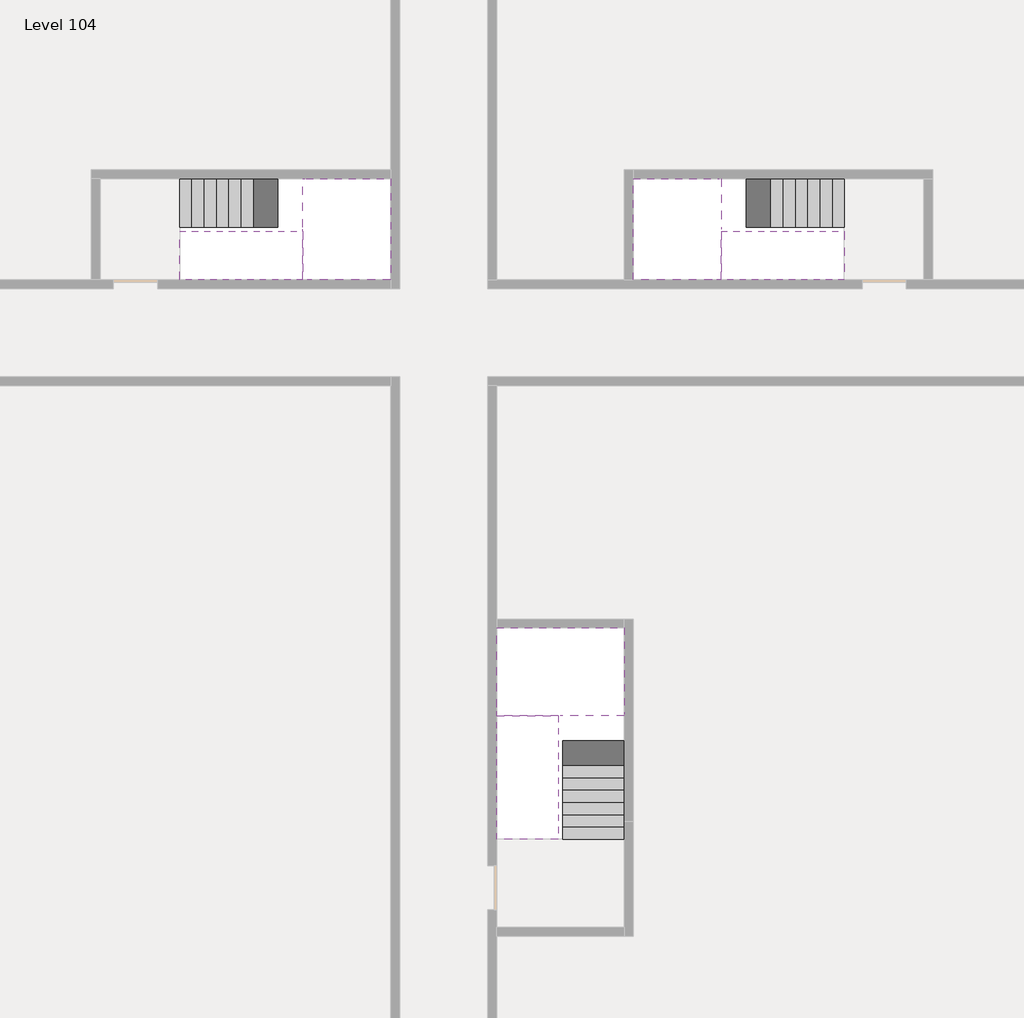
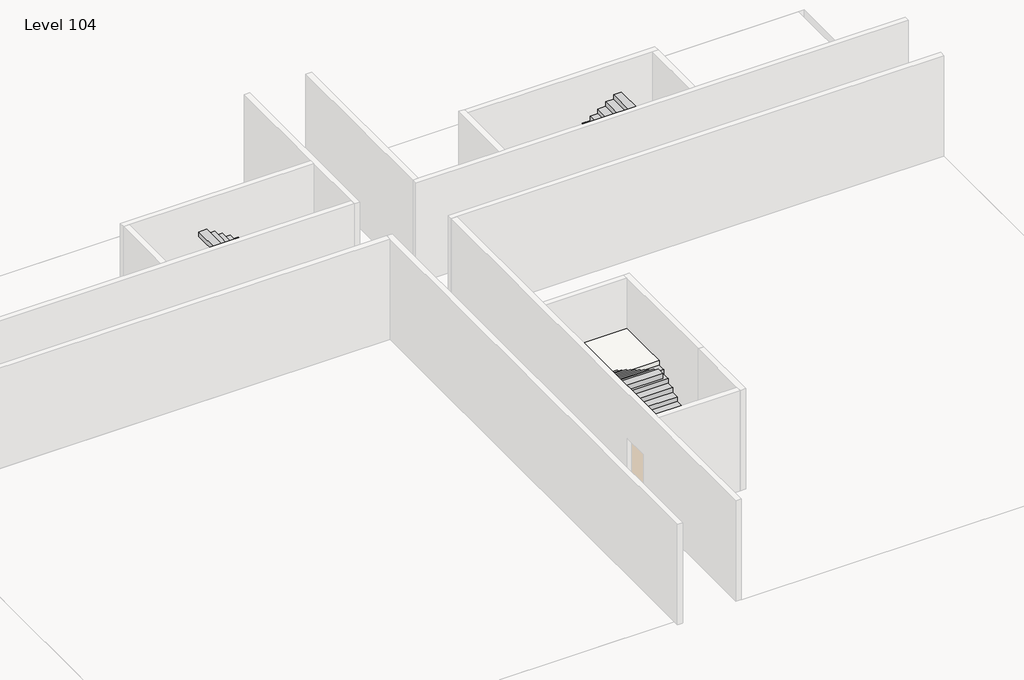
# One storey, part 2 of 2: 6 stair flights, 3 slabs.
"""IFC4 building model written with IfcOpenShell, lengths in millimetres."""

from ifc_helpers import new_model, si_unit, origin, place, context, project, spatial, faceted_brep, element, save

model = new_model("IFC4")

# Units and contexts
model_context = context("Model", 3, world=origin())
ifc_project = project(units=[si_unit("LENGTHUNIT", "METRE", prefix="MILLI")], contexts=[model_context])

# Site, building, storey
site = spatial("IfcSite", under=ifc_project)
building = spatial("IfcBuilding", under=site)
storey = spatial("IfcBuildingStorey", under=building, Name="Level 104", Elevation=391400.0)

# Slabs
placement = place(None, origin())
element("IfcSlab", 1, at=placement, inside=storey, context=model_context, shape_type="Brep", body=[
    faceted_brep([(26890.1058784, -40418.09644, 393300.0), (28290.1058784, -40418.09644, 393300.0), (28290.1058784, -40338.7100038, 393300.0), (28290.1058784, -38418.09644, 393300.0), (25390.1058784, -38418.09644, 393300.0), (25390.1058784, -40217.4828763, 393300.0), (25390.1058784, -40418.09644, 393300.0), (26790.1058784, -40418.09644, 393300.0), (26890.1058784, -40418.09644, 393000.0), (26890.1058784, -40418.09644, 392951.0278478), (28290.1058784, -40418.09644, 392951.0278478), (28290.1058784, -40418.09644, 393127.2727273), (28290.1058784, -40338.7100038, 393000.0), (28290.1058784, -38418.09644, 393000.0), (25390.1058784, -38418.09644, 393000.0), (25390.1058784, -40217.4828763, 393000.0), (25390.1058784, -40418.09644, 393123.7551205), (26790.1058784, -40418.09644, 393123.7551205), (26790.1058784, -40418.09644, 393000.0), (26790.1058784, -40217.4828763, 393000.0), (26890.1058784, -40338.7100038, 393000.0)], [[[0, 1, 2, 3, 4, 5, 6, 7]], [[1, 0, 8, 9, 10, 11]], [[1, 11, 10, 12, 13, 3, 2]], [[4, 3, 13, 14]], [[4, 14, 15, 16, 6, 5]], [[7, 6, 16, 17]], [[0, 7, 17, 18, 8]], [[18, 19, 15, 14, 13, 12, 20, 8]], [[19, 18, 17]], [[20, 12, 10, 9]], [[8, 20, 9]], [[15, 19, 17, 16]]]),
])
element("IfcSlab", 2, at=placement, inside=storey, context=model_context, shape_type="Brep", body=[
    faceted_brep([(20990.1058784, -28218.09644, 393300.0), (20990.1058784, -29318.09644, 393300.0), (20990.1058784, -29418.09644, 393300.0), (20990.1058784, -30518.09644, 393300.0), (21190.7194421, -30518.09644, 393300.0), (22990.1058784, -30518.09644, 393300.0), (22990.1058784, -28218.09644, 393300.0), (21069.4923146, -28218.09644, 393300.0), (20990.1058784, -28218.09644, 393127.2727273), (20990.1058784, -28218.09644, 392951.0278478), (20990.1058784, -29318.09644, 392951.0278478), (20990.1058784, -29318.09644, 393000.0), (20990.1058784, -29418.09644, 393000.0), (20990.1058784, -29418.09644, 393123.7551205), (20990.1058784, -30518.09644, 393123.7551205), (21190.7194421, -30518.09644, 393000.0), (22990.1058784, -30518.09644, 393000.0), (22990.1058784, -28218.09644, 393000.0), (21069.4923146, -28218.09644, 393000.0), (21190.7194421, -29418.09644, 393000.0), (21069.4923146, -29318.09644, 393000.0)], [[[0, 1, 2, 3, 4, 5, 6, 7]], [[1, 0, 8, 9, 10, 11]], [[2, 1, 11, 12, 13]], [[3, 2, 13, 14]], [[3, 14, 15, 16, 5, 4]], [[6, 5, 16, 17]], [[9, 8, 0, 7, 6, 17, 18]], [[19, 12, 11, 20, 18, 17, 16, 15]], [[12, 19, 13]], [[18, 20, 10, 9]], [[20, 11, 10]], [[19, 15, 14, 13]]]),
])
element("IfcSlab", 3, at=placement, inside=storey, context=model_context, shape_type="Brep", body=[
    faceted_brep([(30490.1058784, -29318.09644, 393300.0), (30490.1058784, -28218.09644, 393300.0), (30410.7194421, -28218.09644, 393300.0), (28490.1058784, -28218.09644, 393300.0), (28490.1058784, -30518.09644, 393300.0), (30289.4923146, -30518.09644, 393300.0), (30490.1058784, -30518.09644, 393300.0), (30490.1058784, -29418.09644, 393300.0), (30490.1058784, -29318.09644, 393000.0), (30490.1058784, -29318.09644, 392951.0278478), (30490.1058784, -28218.09644, 392951.0278478), (30490.1058784, -28218.09644, 393127.2727273), (30490.1058784, -29418.09644, 393123.7551205), (30490.1058784, -29418.09644, 393000.0), (30490.1058784, -30518.09644, 393123.7551205), (28490.1058784, -30518.09644, 393000.0), (30289.4923146, -30518.09644, 393000.0), (28490.1058784, -28218.09644, 393000.0), (30410.7194421, -28218.09644, 393000.0), (30289.4923146, -29418.09644, 393000.0), (30410.7194421, -29318.09644, 393000.0)], [[[0, 1, 2, 3, 4, 5, 6, 7]], [[1, 0, 8, 9, 10, 11]], [[0, 7, 12, 13, 8]], [[7, 6, 14, 12]], [[4, 15, 16, 14, 6, 5]], [[4, 3, 17, 15]], [[1, 11, 10, 18, 17, 3, 2]], [[13, 19, 16, 15, 17, 18, 20, 8]], [[20, 18, 10, 9]], [[8, 20, 9]], [[16, 19, 12, 14]], [[19, 13, 12]]]),
])

# Stair flights
element("IfcStairFlight", 4, at=placement, inside=storey, context=model_context, shape_type="Brep", body=[
    faceted_brep([(26890.1058784, -42938.09644, 391572.7272727), (26890.1058784, -43218.09644, 391572.7272727), (28290.1058784, -43218.09644, 391572.7272727), (28290.1058784, -42938.09644, 391572.7272727), (26890.1058784, -42938.09644, 391400.0), (26890.1058784, -43218.09644, 391400.0), (28290.1058784, -43218.09644, 391400.0), (28290.1058784, -42938.09644, 391400.0), (26890.1058784, -42658.09644, 391745.4545455), (26890.1058784, -42938.09644, 391745.4545455), (28290.1058784, -42938.09644, 391745.4545455), (28290.1058784, -42658.09644, 391745.4545455), (26890.1058784, -42658.09644, 391569.209666), (26890.1058784, -42932.3942143, 391400.0), (28290.1058784, -42932.3942143, 391400.0), (28290.1058784, -42658.09644, 391569.209666), (26890.1058784, -42378.09644, 391918.1818182), (26890.1058784, -42658.09644, 391918.1818182), (28290.1058784, -42658.09644, 391918.1818182), (28290.1058784, -42378.09644, 391918.1818182), (26890.1058784, -42378.09644, 391741.9369387), (28290.1058784, -42378.09644, 391741.9369387), (26890.1058784, -42098.09644, 392090.9090909), (26890.1058784, -42378.09644, 392090.9090909), (28290.1058784, -42378.09644, 392090.9090909), (28290.1058784, -42098.09644, 392090.9090909), (26890.1058784, -42098.09644, 391914.6642114), (28290.1058784, -42098.09644, 391914.6642114), (26890.1058784, -41818.09644, 392263.6363636), (26890.1058784, -42098.09644, 392263.6363636), (28290.1058784, -42098.09644, 392263.6363636), (28290.1058784, -41818.09644, 392263.6363636), (26890.1058784, -41818.09644, 392087.3914841), (28290.1058784, -41818.09644, 392087.3914841), (26890.1058784, -41538.09644, 392436.3636364), (26890.1058784, -41818.09644, 392436.3636364), (28290.1058784, -41818.09644, 392436.3636364), (28290.1058784, -41538.09644, 392436.3636364), (26890.1058784, -41538.09644, 392260.1187569), (28290.1058784, -41538.09644, 392260.1187569), (26890.1058784, -41258.09644, 392609.0909091), (26890.1058784, -41538.09644, 392609.0909091), (28290.1058784, -41538.09644, 392609.0909091), (28290.1058784, -41258.09644, 392609.0909091), (26890.1058784, -41258.09644, 392432.8460296), (28290.1058784, -41258.09644, 392432.8460296), (26890.1058784, -40978.09644, 392781.8181818), (26890.1058784, -41258.09644, 392781.8181818), (28290.1058784, -41258.09644, 392781.8181818), (28290.1058784, -40978.09644, 392781.8181818), (26890.1058784, -40978.09644, 392605.5733023), (28290.1058784, -40978.09644, 392605.5733023), (26890.1058784, -40698.09644, 392954.5454545), (26890.1058784, -40978.09644, 392954.5454545), (28290.1058784, -40978.09644, 392954.5454545), (28290.1058784, -40698.09644, 392954.5454545), (26890.1058784, -40698.09644, 392778.3005751), (28290.1058784, -40698.09644, 392778.3005751), (26890.1058784, -40418.09644, 393127.2727273), (26890.1058784, -40698.09644, 393127.2727273), (28290.1058784, -40698.09644, 393127.2727273), (28290.1058784, -40418.09644, 393127.2727273), (26890.1058784, -40418.09644, 393000.0), (26890.1058784, -40418.09644, 392951.0278478), (28290.1058784, -40418.09644, 392951.0278478)], [[[0, 1, 2, 3]], [[1, 0, 4, 5]], [[2, 1, 5, 6]], [[3, 2, 6, 7]], [[8, 9, 10, 11]], [[4, 0, 9, 8, 12, 13]], [[0, 3, 10, 9]], [[3, 7, 14, 15, 11, 10]], [[16, 17, 18, 19]], [[17, 16, 20, 12, 8]], [[8, 11, 18, 17]], [[19, 18, 11, 15, 21]], [[22, 23, 24, 25]], [[23, 22, 26, 20, 16]], [[16, 19, 24, 23]], [[25, 24, 19, 21, 27]], [[28, 29, 30, 31]], [[29, 28, 32, 26, 22]], [[22, 25, 30, 29]], [[31, 30, 25, 27, 33]], [[34, 35, 36, 37]], [[35, 34, 38, 32, 28]], [[28, 31, 36, 35]], [[37, 36, 31, 33, 39]], [[40, 41, 42, 43]], [[41, 40, 44, 38, 34]], [[34, 37, 42, 41]], [[43, 42, 37, 39, 45]], [[46, 47, 48, 49]], [[47, 46, 50, 44, 40]], [[40, 43, 48, 47]], [[49, 48, 43, 45, 51]], [[52, 53, 54, 55]], [[53, 52, 56, 50, 46]], [[46, 49, 54, 53]], [[55, 54, 49, 51, 57]], [[58, 59, 60, 61]], [[59, 58, 62, 63, 56, 52]], [[52, 55, 60, 59]], [[61, 60, 55, 57, 64]], [[58, 61, 64, 63, 62]], [[5, 4, 13, 14, 7, 6]], [[14, 13, 12, 20, 26, 32, 38, 44, 50, 56, 63, 64, 57, 51, 45, 39, 33, 27, 21, 15]]]),
])
element("IfcStairFlight", 5, at=placement, inside=storey, context=model_context, shape_type="Brep", body=[
    faceted_brep([(26790.1058784, -40698.09644, 393472.7272727), (26790.1058784, -40418.09644, 393472.7272727), (25390.1058784, -40418.09644, 393472.7272727), (25390.1058784, -40698.09644, 393472.7272727), (26790.1058784, -40698.09644, 393296.4823932), (26790.1058784, -40418.09644, 393123.7551205), (25390.1058784, -40418.09644, 393123.7551205), (25390.1058784, -40418.09644, 393300.0), (25390.1058784, -40698.09644, 393296.4823932), (26790.1058784, -40978.09644, 393645.4545455), (26790.1058784, -40698.09644, 393645.4545455), (25390.1058784, -40698.09644, 393645.4545455), (25390.1058784, -40978.09644, 393645.4545455), (26790.1058784, -40978.09644, 393469.209666), (25390.1058784, -40978.09644, 393469.209666), (26790.1058784, -41258.09644, 393818.1818182), (26790.1058784, -40978.09644, 393818.1818182), (25390.1058784, -40978.09644, 393818.1818182), (25390.1058784, -41258.09644, 393818.1818182), (26790.1058784, -41258.09644, 393641.9369387), (25390.1058784, -41258.09644, 393641.9369387), (26790.1058784, -41538.09644, 393990.9090909), (26790.1058784, -41258.09644, 393990.9090909), (25390.1058784, -41258.09644, 393990.9090909), (25390.1058784, -41538.09644, 393990.9090909), (26790.1058784, -41538.09644, 393814.6642114), (25390.1058784, -41538.09644, 393814.6642114), (26790.1058784, -41818.09644, 394163.6363636), (26790.1058784, -41538.09644, 394163.6363636), (25390.1058784, -41538.09644, 394163.6363636), (25390.1058784, -41818.09644, 394163.6363636), (26790.1058784, -41818.09644, 393987.3914841), (25390.1058784, -41818.09644, 393987.3914841), (26790.1058784, -42098.09644, 394336.3636364), (26790.1058784, -41818.09644, 394336.3636364), (25390.1058784, -41818.09644, 394336.3636364), (25390.1058784, -42098.09644, 394336.3636364), (26790.1058784, -42098.09644, 394160.1187569), (25390.1058784, -42098.09644, 394160.1187569), (26790.1058784, -42378.09644, 394509.0909091), (26790.1058784, -42098.09644, 394509.0909091), (25390.1058784, -42098.09644, 394509.0909091), (25390.1058784, -42378.09644, 394509.0909091), (26790.1058784, -42378.09644, 394332.8460296), (25390.1058784, -42378.09644, 394332.8460296), (26790.1058784, -42658.09644, 394681.8181818), (26790.1058784, -42378.09644, 394681.8181818), (25390.1058784, -42378.09644, 394681.8181818), (25390.1058784, -42658.09644, 394681.8181818), (26790.1058784, -42658.09644, 394505.5733023), (25390.1058784, -42658.09644, 394505.5733023), (26790.1058784, -42938.09644, 394854.5454545), (26790.1058784, -42658.09644, 394854.5454545), (25390.1058784, -42658.09644, 394854.5454545), (25390.1058784, -42938.09644, 394854.5454545), (26790.1058784, -42938.09644, 394678.3005751), (25390.1058784, -42938.09644, 394678.3005751), (26790.1058784, -43218.09644, 395027.2727273), (26790.1058784, -42938.09644, 395027.2727273), (25390.1058784, -42938.09644, 395027.2727273), (25390.1058784, -43218.09644, 395027.2727273), (26790.1058784, -43218.09644, 394851.0278478), (25390.1058784, -43218.09644, 394851.0278478)], [[[0, 1, 2, 3]], [[1, 0, 4, 5]], [[2, 1, 5, 6, 7]], [[3, 2, 7, 6, 8]], [[9, 10, 11, 12]], [[10, 9, 13, 4, 0]], [[11, 10, 0, 3]], [[12, 11, 3, 8, 14]], [[15, 16, 17, 18]], [[16, 15, 19, 13, 9]], [[17, 16, 9, 12]], [[18, 17, 12, 14, 20]], [[21, 22, 23, 24]], [[22, 21, 25, 19, 15]], [[23, 22, 15, 18]], [[24, 23, 18, 20, 26]], [[27, 28, 29, 30]], [[28, 27, 31, 25, 21]], [[29, 28, 21, 24]], [[30, 29, 24, 26, 32]], [[33, 34, 35, 36]], [[34, 33, 37, 31, 27]], [[35, 34, 27, 30]], [[36, 35, 30, 32, 38]], [[39, 40, 41, 42]], [[40, 39, 43, 37, 33]], [[41, 40, 33, 36]], [[42, 41, 36, 38, 44]], [[45, 46, 47, 48]], [[46, 45, 49, 43, 39]], [[47, 46, 39, 42]], [[48, 47, 42, 44, 50]], [[51, 52, 53, 54]], [[52, 51, 55, 49, 45]], [[53, 52, 45, 48]], [[54, 53, 48, 50, 56]], [[57, 58, 59, 60]], [[58, 57, 61, 55, 51]], [[59, 58, 51, 54]], [[60, 59, 54, 56, 62]], [[57, 60, 62, 61]], [[5, 4, 13, 19, 25, 31, 37, 43, 49, 55, 61, 62, 56, 50, 44, 38, 32, 26, 20, 14, 8, 6]]]),
])
element("IfcStairFlight", 6, at=placement, inside=storey, context=model_context, shape_type="Brep", body=[
    faceted_brep([(18470.1058784, -28218.09644, 391572.7272727), (18190.1058784, -28218.09644, 391572.7272727), (18190.1058784, -29318.09644, 391572.7272727), (18470.1058784, -29318.09644, 391572.7272727), (18470.1058784, -28218.09644, 391400.0), (18190.1058784, -28218.09644, 391400.0), (18190.1058784, -29318.09644, 391400.0), (18470.1058784, -29318.09644, 391400.0), (18750.1058784, -28218.09644, 391745.4545455), (18470.1058784, -28218.09644, 391745.4545455), (18470.1058784, -29318.09644, 391745.4545455), (18750.1058784, -29318.09644, 391745.4545455), (18750.1058784, -28218.09644, 391569.209666), (18475.8081041, -28218.09644, 391400.0), (18475.8081041, -29318.09644, 391400.0), (18750.1058784, -29318.09644, 391569.209666), (19030.1058784, -28218.09644, 391918.1818182), (18750.1058784, -28218.09644, 391918.1818182), (18750.1058784, -29318.09644, 391918.1818182), (19030.1058784, -29318.09644, 391918.1818182), (19030.1058784, -28218.09644, 391741.9369387), (19030.1058784, -29318.09644, 391741.9369387), (19310.1058784, -28218.09644, 392090.9090909), (19030.1058784, -28218.09644, 392090.9090909), (19030.1058784, -29318.09644, 392090.9090909), (19310.1058784, -29318.09644, 392090.9090909), (19310.1058784, -28218.09644, 391914.6642114), (19310.1058784, -29318.09644, 391914.6642114), (19590.1058784, -28218.09644, 392263.6363636), (19310.1058784, -28218.09644, 392263.6363636), (19310.1058784, -29318.09644, 392263.6363636), (19590.1058784, -29318.09644, 392263.6363636), (19590.1058784, -28218.09644, 392087.3914841), (19590.1058784, -29318.09644, 392087.3914841), (19870.1058784, -28218.09644, 392436.3636364), (19590.1058784, -28218.09644, 392436.3636364), (19590.1058784, -29318.09644, 392436.3636364), (19870.1058784, -29318.09644, 392436.3636364), (19870.1058784, -28218.09644, 392260.1187569), (19870.1058784, -29318.09644, 392260.1187569), (20150.1058784, -28218.09644, 392609.0909091), (19870.1058784, -28218.09644, 392609.0909091), (19870.1058784, -29318.09644, 392609.0909091), (20150.1058784, -29318.09644, 392609.0909091), (20150.1058784, -28218.09644, 392432.8460296), (20150.1058784, -29318.09644, 392432.8460296), (20430.1058784, -28218.09644, 392781.8181818), (20150.1058784, -28218.09644, 392781.8181818), (20150.1058784, -29318.09644, 392781.8181818), (20430.1058784, -29318.09644, 392781.8181818), (20430.1058784, -28218.09644, 392605.5733023), (20430.1058784, -29318.09644, 392605.5733023), (20710.1058784, -28218.09644, 392954.5454545), (20430.1058784, -28218.09644, 392954.5454545), (20430.1058784, -29318.09644, 392954.5454545), (20710.1058784, -29318.09644, 392954.5454545), (20710.1058784, -28218.09644, 392778.3005751), (20710.1058784, -29318.09644, 392778.3005751), (20990.1058784, -28218.09644, 393127.2727273), (20710.1058784, -28218.09644, 393127.2727273), (20710.1058784, -29318.09644, 393127.2727273), (20990.1058784, -29318.09644, 393127.2727273), (20990.1058784, -28218.09644, 392951.0278478), (20990.1058784, -29318.09644, 392951.0278478), (20990.1058784, -29318.09644, 393000.0)], [[[0, 1, 2, 3]], [[1, 0, 4, 5]], [[2, 1, 5, 6]], [[3, 2, 6, 7]], [[8, 9, 10, 11]], [[4, 0, 9, 8, 12, 13]], [[0, 3, 10, 9]], [[3, 7, 14, 15, 11, 10]], [[16, 17, 18, 19]], [[17, 16, 20, 12, 8]], [[8, 11, 18, 17]], [[19, 18, 11, 15, 21]], [[22, 23, 24, 25]], [[23, 22, 26, 20, 16]], [[16, 19, 24, 23]], [[25, 24, 19, 21, 27]], [[28, 29, 30, 31]], [[29, 28, 32, 26, 22]], [[22, 25, 30, 29]], [[31, 30, 25, 27, 33]], [[34, 35, 36, 37]], [[35, 34, 38, 32, 28]], [[28, 31, 36, 35]], [[37, 36, 31, 33, 39]], [[40, 41, 42, 43]], [[41, 40, 44, 38, 34]], [[34, 37, 42, 41]], [[43, 42, 37, 39, 45]], [[46, 47, 48, 49]], [[47, 46, 50, 44, 40]], [[40, 43, 48, 47]], [[49, 48, 43, 45, 51]], [[52, 53, 54, 55]], [[53, 52, 56, 50, 46]], [[46, 49, 54, 53]], [[55, 54, 49, 51, 57]], [[58, 59, 60, 61]], [[59, 58, 62, 56, 52]], [[52, 55, 60, 59]], [[61, 60, 55, 57, 63, 64]], [[58, 61, 64, 63, 62]], [[5, 4, 13, 14, 7, 6]], [[14, 13, 12, 20, 26, 32, 38, 44, 50, 56, 62, 63, 57, 51, 45, 39, 33, 27, 21, 15]]]),
])
element("IfcStairFlight", 7, at=placement, inside=storey, context=model_context, shape_type="Brep", body=[
    faceted_brep([(20710.1058784, -30518.09644, 393472.7272727), (20990.1058784, -30518.09644, 393472.7272727), (20990.1058784, -29418.09644, 393472.7272727), (20710.1058784, -29418.09644, 393472.7272727), (20710.1058784, -30518.09644, 393296.4823932), (20990.1058784, -30518.09644, 393123.7551205), (20990.1058784, -30518.09644, 393300.0), (20990.1058784, -29418.09644, 393123.7551205), (20710.1058784, -29418.09644, 393296.4823932), (20430.1058784, -30518.09644, 393645.4545455), (20710.1058784, -30518.09644, 393645.4545455), (20710.1058784, -29418.09644, 393645.4545455), (20430.1058784, -29418.09644, 393645.4545455), (20430.1058784, -30518.09644, 393469.209666), (20430.1058784, -29418.09644, 393469.209666), (20150.1058784, -30518.09644, 393818.1818182), (20430.1058784, -30518.09644, 393818.1818182), (20430.1058784, -29418.09644, 393818.1818182), (20150.1058784, -29418.09644, 393818.1818182), (20150.1058784, -30518.09644, 393641.9369387), (20150.1058784, -29418.09644, 393641.9369387), (19870.1058784, -30518.09644, 393990.9090909), (20150.1058784, -30518.09644, 393990.9090909), (20150.1058784, -29418.09644, 393990.9090909), (19870.1058784, -29418.09644, 393990.9090909), (19870.1058784, -30518.09644, 393814.6642114), (19870.1058784, -29418.09644, 393814.6642114), (19590.1058784, -30518.09644, 394163.6363636), (19870.1058784, -30518.09644, 394163.6363636), (19870.1058784, -29418.09644, 394163.6363636), (19590.1058784, -29418.09644, 394163.6363636), (19590.1058784, -30518.09644, 393987.3914841), (19590.1058784, -29418.09644, 393987.3914841), (19310.1058784, -30518.09644, 394336.3636364), (19590.1058784, -30518.09644, 394336.3636364), (19590.1058784, -29418.09644, 394336.3636364), (19310.1058784, -29418.09644, 394336.3636364), (19310.1058784, -30518.09644, 394160.1187569), (19310.1058784, -29418.09644, 394160.1187569), (19030.1058784, -30518.09644, 394509.0909091), (19310.1058784, -30518.09644, 394509.0909091), (19310.1058784, -29418.09644, 394509.0909091), (19030.1058784, -29418.09644, 394509.0909091), (19030.1058784, -30518.09644, 394332.8460296), (19030.1058784, -29418.09644, 394332.8460296), (18750.1058784, -30518.09644, 394681.8181818), (19030.1058784, -30518.09644, 394681.8181818), (19030.1058784, -29418.09644, 394681.8181818), (18750.1058784, -29418.09644, 394681.8181818), (18750.1058784, -30518.09644, 394505.5733023), (18750.1058784, -29418.09644, 394505.5733023), (18470.1058784, -30518.09644, 394854.5454545), (18750.1058784, -30518.09644, 394854.5454545), (18750.1058784, -29418.09644, 394854.5454545), (18470.1058784, -29418.09644, 394854.5454545), (18470.1058784, -30518.09644, 394678.3005751), (18470.1058784, -29418.09644, 394678.3005751), (18190.1058784, -30518.09644, 395027.2727273), (18470.1058784, -30518.09644, 395027.2727273), (18470.1058784, -29418.09644, 395027.2727273), (18190.1058784, -29418.09644, 395027.2727273), (18190.1058784, -30518.09644, 394851.0278478), (18190.1058784, -29418.09644, 394851.0278478)], [[[0, 1, 2, 3]], [[1, 0, 4, 5, 6]], [[2, 1, 6, 5, 7]], [[3, 2, 7, 8]], [[9, 10, 11, 12]], [[10, 9, 13, 4, 0]], [[11, 10, 0, 3]], [[12, 11, 3, 8, 14]], [[15, 16, 17, 18]], [[16, 15, 19, 13, 9]], [[17, 16, 9, 12]], [[18, 17, 12, 14, 20]], [[21, 22, 23, 24]], [[22, 21, 25, 19, 15]], [[23, 22, 15, 18]], [[24, 23, 18, 20, 26]], [[27, 28, 29, 30]], [[28, 27, 31, 25, 21]], [[29, 28, 21, 24]], [[30, 29, 24, 26, 32]], [[33, 34, 35, 36]], [[34, 33, 37, 31, 27]], [[35, 34, 27, 30]], [[36, 35, 30, 32, 38]], [[39, 40, 41, 42]], [[40, 39, 43, 37, 33]], [[41, 40, 33, 36]], [[42, 41, 36, 38, 44]], [[45, 46, 47, 48]], [[46, 45, 49, 43, 39]], [[47, 46, 39, 42]], [[48, 47, 42, 44, 50]], [[51, 52, 53, 54]], [[52, 51, 55, 49, 45]], [[53, 52, 45, 48]], [[54, 53, 48, 50, 56]], [[57, 58, 59, 60]], [[58, 57, 61, 55, 51]], [[59, 58, 51, 54]], [[60, 59, 54, 56, 62]], [[57, 60, 62, 61]], [[5, 4, 13, 19, 25, 31, 37, 43, 49, 55, 61, 62, 56, 50, 44, 38, 32, 26, 20, 14, 8, 7]]]),
])
element("IfcStairFlight", 8, at=placement, inside=storey, context=model_context, shape_type="Brep", body=[
    faceted_brep([(33010.1058784, -29318.09644, 391572.7272727), (33290.1058784, -29318.09644, 391572.7272727), (33290.1058784, -28218.09644, 391572.7272727), (33010.1058784, -28218.09644, 391572.7272727), (33290.1058784, -28218.09644, 391400.0), (33010.1058784, -28218.09644, 391400.0), (33290.1058784, -29318.09644, 391400.0), (33010.1058784, -29318.09644, 391400.0), (32730.1058784, -29318.09644, 391745.4545455), (33010.1058784, -29318.09644, 391745.4545455), (33010.1058784, -28218.09644, 391745.4545455), (32730.1058784, -28218.09644, 391745.4545455), (33004.4036527, -28218.09644, 391400.0), (32730.1058784, -28218.09644, 391569.209666), (32730.1058784, -29318.09644, 391569.209666), (33004.4036527, -29318.09644, 391400.0), (32450.1058784, -29318.09644, 391918.1818182), (32730.1058784, -29318.09644, 391918.1818182), (32730.1058784, -28218.09644, 391918.1818182), (32450.1058784, -28218.09644, 391918.1818182), (32450.1058784, -28218.09644, 391741.9369387), (32450.1058784, -29318.09644, 391741.9369387), (32170.1058784, -29318.09644, 392090.9090909), (32450.1058784, -29318.09644, 392090.9090909), (32450.1058784, -28218.09644, 392090.9090909), (32170.1058784, -28218.09644, 392090.9090909), (32170.1058784, -28218.09644, 391914.6642114), (32170.1058784, -29318.09644, 391914.6642114), (31890.1058784, -29318.09644, 392263.6363636), (32170.1058784, -29318.09644, 392263.6363636), (32170.1058784, -28218.09644, 392263.6363636), (31890.1058784, -28218.09644, 392263.6363636), (31890.1058784, -28218.09644, 392087.3914841), (31890.1058784, -29318.09644, 392087.3914841), (31610.1058784, -29318.09644, 392436.3636364), (31890.1058784, -29318.09644, 392436.3636364), (31890.1058784, -28218.09644, 392436.3636364), (31610.1058784, -28218.09644, 392436.3636364), (31610.1058784, -28218.09644, 392260.1187569), (31610.1058784, -29318.09644, 392260.1187569), (31330.1058784, -29318.09644, 392609.0909091), (31610.1058784, -29318.09644, 392609.0909091), (31610.1058784, -28218.09644, 392609.0909091), (31330.1058784, -28218.09644, 392609.0909091), (31330.1058784, -28218.09644, 392432.8460296), (31330.1058784, -29318.09644, 392432.8460296), (31050.1058784, -29318.09644, 392781.8181818), (31330.1058784, -29318.09644, 392781.8181818), (31330.1058784, -28218.09644, 392781.8181818), (31050.1058784, -28218.09644, 392781.8181818), (31050.1058784, -28218.09644, 392605.5733023), (31050.1058784, -29318.09644, 392605.5733023), (30770.1058784, -29318.09644, 392954.5454545), (31050.1058784, -29318.09644, 392954.5454545), (31050.1058784, -28218.09644, 392954.5454545), (30770.1058784, -28218.09644, 392954.5454545), (30770.1058784, -28218.09644, 392778.3005751), (30770.1058784, -29318.09644, 392778.3005751), (30490.1058784, -29318.09644, 393127.2727273), (30770.1058784, -29318.09644, 393127.2727273), (30770.1058784, -28218.09644, 393127.2727273), (30490.1058784, -28218.09644, 393127.2727273), (30490.1058784, -28218.09644, 392951.0278478), (30490.1058784, -29318.09644, 393000.0), (30490.1058784, -29318.09644, 392951.0278478)], [[[0, 1, 2, 3]], [[3, 2, 4, 5]], [[2, 1, 6, 4]], [[1, 0, 7, 6]], [[8, 9, 10, 11]], [[3, 5, 12, 13, 11, 10]], [[0, 3, 10, 9]], [[7, 0, 9, 8, 14, 15]], [[16, 17, 18, 19]], [[19, 18, 11, 13, 20]], [[8, 11, 18, 17]], [[17, 16, 21, 14, 8]], [[22, 23, 24, 25]], [[25, 24, 19, 20, 26]], [[16, 19, 24, 23]], [[23, 22, 27, 21, 16]], [[28, 29, 30, 31]], [[31, 30, 25, 26, 32]], [[22, 25, 30, 29]], [[29, 28, 33, 27, 22]], [[34, 35, 36, 37]], [[37, 36, 31, 32, 38]], [[28, 31, 36, 35]], [[35, 34, 39, 33, 28]], [[40, 41, 42, 43]], [[43, 42, 37, 38, 44]], [[34, 37, 42, 41]], [[41, 40, 45, 39, 34]], [[46, 47, 48, 49]], [[49, 48, 43, 44, 50]], [[40, 43, 48, 47]], [[47, 46, 51, 45, 40]], [[52, 53, 54, 55]], [[55, 54, 49, 50, 56]], [[46, 49, 54, 53]], [[53, 52, 57, 51, 46]], [[58, 59, 60, 61]], [[61, 60, 55, 56, 62]], [[52, 55, 60, 59]], [[59, 58, 63, 64, 57, 52]], [[58, 61, 62, 64, 63]], [[6, 7, 15, 12, 5, 4]], [[12, 15, 14, 21, 27, 33, 39, 45, 51, 57, 64, 62, 56, 50, 44, 38, 32, 26, 20, 13]]]),
])
element("IfcStairFlight", 9, at=placement, inside=storey, context=model_context, shape_type="Brep", body=[
    faceted_brep([(30770.1058784, -29418.09644, 393472.7272727), (30490.1058784, -29418.09644, 393472.7272727), (30490.1058784, -30518.09644, 393472.7272727), (30770.1058784, -30518.09644, 393472.7272727), (30490.1058784, -30518.09644, 393300.0), (30490.1058784, -30518.09644, 393123.7551205), (30770.1058784, -30518.09644, 393296.4823932), (30490.1058784, -29418.09644, 393123.7551205), (30770.1058784, -29418.09644, 393296.4823932), (31050.1058784, -29418.09644, 393645.4545455), (30770.1058784, -29418.09644, 393645.4545455), (30770.1058784, -30518.09644, 393645.4545455), (31050.1058784, -30518.09644, 393645.4545455), (31050.1058784, -30518.09644, 393469.209666), (31050.1058784, -29418.09644, 393469.209666), (31330.1058784, -29418.09644, 393818.1818182), (31050.1058784, -29418.09644, 393818.1818182), (31050.1058784, -30518.09644, 393818.1818182), (31330.1058784, -30518.09644, 393818.1818182), (31330.1058784, -30518.09644, 393641.9369387), (31330.1058784, -29418.09644, 393641.9369387), (31610.1058784, -29418.09644, 393990.9090909), (31330.1058784, -29418.09644, 393990.9090909), (31330.1058784, -30518.09644, 393990.9090909), (31610.1058784, -30518.09644, 393990.9090909), (31610.1058784, -30518.09644, 393814.6642114), (31610.1058784, -29418.09644, 393814.6642114), (31890.1058784, -29418.09644, 394163.6363636), (31610.1058784, -29418.09644, 394163.6363636), (31610.1058784, -30518.09644, 394163.6363636), (31890.1058784, -30518.09644, 394163.6363636), (31890.1058784, -30518.09644, 393987.3914841), (31890.1058784, -29418.09644, 393987.3914841), (32170.1058784, -29418.09644, 394336.3636364), (31890.1058784, -29418.09644, 394336.3636364), (31890.1058784, -30518.09644, 394336.3636364), (32170.1058784, -30518.09644, 394336.3636364), (32170.1058784, -30518.09644, 394160.1187569), (32170.1058784, -29418.09644, 394160.1187569), (32450.1058784, -29418.09644, 394509.0909091), (32170.1058784, -29418.09644, 394509.0909091), (32170.1058784, -30518.09644, 394509.0909091), (32450.1058784, -30518.09644, 394509.0909091), (32450.1058784, -30518.09644, 394332.8460296), (32450.1058784, -29418.09644, 394332.8460296), (32730.1058784, -29418.09644, 394681.8181818), (32450.1058784, -29418.09644, 394681.8181818), (32450.1058784, -30518.09644, 394681.8181818), (32730.1058784, -30518.09644, 394681.8181818), (32730.1058784, -30518.09644, 394505.5733023), (32730.1058784, -29418.09644, 394505.5733023), (33010.1058784, -29418.09644, 394854.5454545), (32730.1058784, -29418.09644, 394854.5454545), (32730.1058784, -30518.09644, 394854.5454545), (33010.1058784, -30518.09644, 394854.5454545), (33010.1058784, -30518.09644, 394678.3005751), (33010.1058784, -29418.09644, 394678.3005751), (33290.1058784, -29418.09644, 395027.2727273), (33010.1058784, -29418.09644, 395027.2727273), (33010.1058784, -30518.09644, 395027.2727273), (33290.1058784, -30518.09644, 395027.2727273), (33290.1058784, -30518.09644, 394851.0278478), (33290.1058784, -29418.09644, 394851.0278478)], [[[0, 1, 2, 3]], [[3, 2, 4, 5, 6]], [[2, 1, 7, 5, 4]], [[1, 0, 8, 7]], [[9, 10, 11, 12]], [[12, 11, 3, 6, 13]], [[11, 10, 0, 3]], [[10, 9, 14, 8, 0]], [[15, 16, 17, 18]], [[18, 17, 12, 13, 19]], [[17, 16, 9, 12]], [[16, 15, 20, 14, 9]], [[21, 22, 23, 24]], [[24, 23, 18, 19, 25]], [[23, 22, 15, 18]], [[22, 21, 26, 20, 15]], [[27, 28, 29, 30]], [[30, 29, 24, 25, 31]], [[29, 28, 21, 24]], [[28, 27, 32, 26, 21]], [[33, 34, 35, 36]], [[36, 35, 30, 31, 37]], [[35, 34, 27, 30]], [[34, 33, 38, 32, 27]], [[39, 40, 41, 42]], [[42, 41, 36, 37, 43]], [[41, 40, 33, 36]], [[40, 39, 44, 38, 33]], [[45, 46, 47, 48]], [[48, 47, 42, 43, 49]], [[47, 46, 39, 42]], [[46, 45, 50, 44, 39]], [[51, 52, 53, 54]], [[54, 53, 48, 49, 55]], [[53, 52, 45, 48]], [[52, 51, 56, 50, 45]], [[57, 58, 59, 60]], [[60, 59, 54, 55, 61]], [[59, 58, 51, 54]], [[58, 57, 62, 56, 51]], [[57, 60, 61, 62]], [[7, 8, 14, 20, 26, 32, 38, 44, 50, 56, 62, 61, 55, 49, 43, 37, 31, 25, 19, 13, 6, 5]]]),
])

save(model, "model.ifc")
